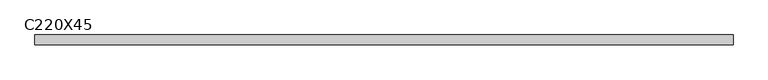
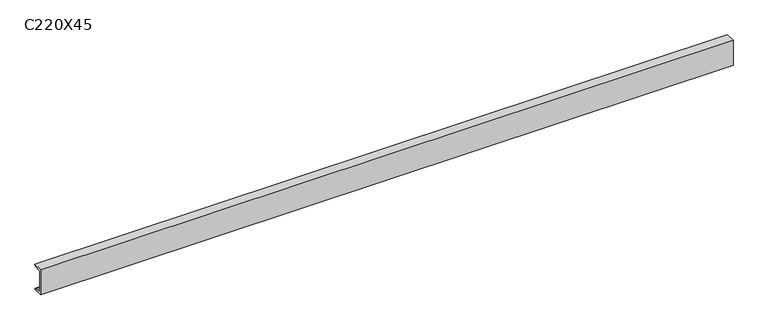
"""IFC4 building model written with IfcOpenShell, lengths in millimetres: beam geometry, C220X45."""

from ifc_helpers import new_model, si_unit, point, frame, frame_2d, origin, place, context, project, spatial, polyline, circle_curve, trimmed, segment, composite_curve, outline, extrude, source, transform, mapped, element, save


def c220x45_d0cf18f1(model_context):
    return source(origin(), model_context, "Body", "SweptSolid", [
        extrude(outline(composite_curve([segment(polyline([(-17.0, 110.0), (64.0, 110.0)]), True, "CONTINUOUS"), segment(trimmed(circle_curve(frame_2d((51.0, 110.0)), 13.0), [point((64.0, 110.0))], [point((51.0, 97.0))], False, "CARTESIAN"), True, "CONTINUOUS"), segment(polyline([(51.0, 97.0), (-4.0, 88.2888558), (-4.0, -88.2888558), (51.0, -97.0)]), True, "CONTINUOUS"), segment(trimmed(circle_curve(frame_2d((51.0, -110.0)), 13.0), [point((51.0, -97.0))], [point((64.0, -110.0))], False, "CARTESIAN"), True, "CONTINUOUS"), segment(polyline([(64.0, -110.0), (-17.0, -110.0), (-17.0, 110.0)]), True, "CONTINUOUS")], self_intersect=False)), frame((-2893.5, 0.0, 0.0), z_axis=(1.0, 0.0, 0.0), x_axis=(0.0, 1.0, 0.0)), (0.0, 0.0, 1.0), 5787.0),
    ])


if __name__ == "__main__":
    model = new_model("IFC4")
    model_context = context("Model", 3, world=origin())
    ifc_project = project(units=[si_unit("LENGTHUNIT", "METRE", prefix="MILLI")], contexts=[model_context])
    site = spatial("IfcSite", under=ifc_project)
    building = spatial("IfcBuilding", under=site)
    placement = place(None, origin())
    c220x45_shape = c220x45_d0cf18f1(model_context)
    element("IfcBeam", 1, ObjectType="C220X45", at=placement, inside=building, context=model_context, shape_type="MappedRepresentation", body=[
        mapped(c220x45_shape, transform((0.0, 0.0, 0.0), x_axis=(1.0, 0.0, 0.0), y_axis=(0.0, 1.0, 0.0), z_axis=(0.0, 0.0, 1.0))),
    ])
    save(model, "model.ifc")
